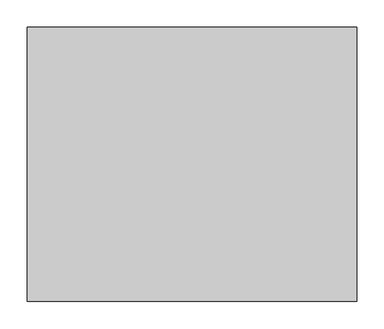
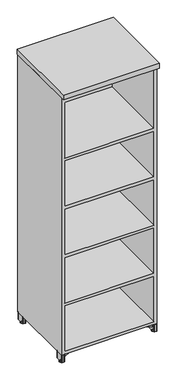
"""IFC4 building model written with IfcOpenShell, lengths in millimetres: furniture geometry."""

from ifc_helpers import new_model, si_unit, origin, place, context, project, spatial, triangles, source, transform, mapped, element, save


def furniture_0e925f3d(model_context):
    return source(origin(), model_context, "Body", "Tessellation", [
        triangles([(592.6435495, -34.5682729, 0.5205074), (591.6041508, -28.8797983, 0.0), (594.9822876, -34.7310128, 0.0), (598.3604971, -36.3020515, 0.1201563), (589.9780872, -28.8797983, 1.2314809), (594.8344769, -36.6015654, 1.1125141), (606.742907, -28.8797983, 1.2314809), (601.88659, -36.6015654, 1.1125141), (604.0775173, -34.5682729, 0.5205074), (598.3604971, -37.0018952, 0.5768835), (601.7387066, -34.7310128, 0.0), (605.1169161, -28.8797983, 0.0), (590.6584236, -28.8797983, 0.3917094), (606.0625706, -28.8797983, 0.3917094), (590.2570673, -28.8797983, 0.5579616), (602.6911921, -36.380794, 1.905), (607.021887, -28.8797983, 1.905), (594.0298021, -36.380794, 1.905), (606.4639269, -28.8797983, 0.5579616), (589.6991072, -28.8797983, 1.905), (604.0775173, -23.1913261, 0.5205074), (601.7387066, -23.0285862, 0.0), (592.6435495, -23.1913261, 0.5205074), (594.9822876, -23.0285862, 0.0), (601.88659, -21.1580336, 1.1125141), (594.8344769, -21.1580336, 1.1125141), (598.3604971, -21.4575475, 0.1201563), (598.3604971, -20.7577015, 0.5768835), (594.0298021, -21.3788073, 1.905), (602.6911921, -21.3788073, 1.905), (594.0298021, -36.380794, 4.3733222), (589.6991072, -28.8797983, 4.3733222), (602.6911921, -36.380794, 4.3733222), (607.021887, -28.8797983, 4.3733222), (602.6911921, -21.3788073, 4.3733222), (594.0298021, -21.3788073, 4.3733222), (589.9780872, -28.8797983, 5.0468412), (604.0775173, -34.5682729, 5.7578148), (601.7387066, -34.7310128, 6.278322), (598.3604971, -36.3020515, 6.1581656), (591.6041508, -28.8797983, 6.278322), (590.6584236, -28.8797983, 5.8866127), (592.6435495, -34.5682729, 5.7578148), (598.3604971, -37.0018952, 5.7014388), (594.8344769, -36.6015654, 5.1658082), (594.9822876, -34.7310128, 6.278322), (606.4639269, -28.8797983, 5.7203608), (606.742907, -28.8797983, 5.0468412), (590.2570673, -28.8797983, 5.7203608), (601.88659, -36.6015654, 5.1658082), (605.1169161, -28.8797983, 6.278322), (606.0625706, -28.8797983, 5.8866127), (601.88659, -21.1580336, 5.1658082), (604.0775173, -23.1913261, 5.7578148), (598.3604971, -20.7577015, 5.7014388), (592.6435495, -23.1913261, 5.7578148), (598.3604971, -21.4575475, 6.1581656), (601.7387066, -23.0285862, 6.278322), (594.9822876, -23.0285862, 6.278322), (594.8344769, -21.1580336, 5.1658082), (604.3347691, -28.8797983, 6.278322), (601.3476694, -34.0536786, 6.278322), (595.3733974, -34.0536786, 6.278322), (592.3862251, -28.8797983, 6.278322), (601.3476694, -23.7059181, 6.278322), (595.3733974, -23.7059181, 6.278322), (595.3733974, -34.0536786, 10.4825803), (592.3862251, -28.8797983, 10.4825803), (601.3476694, -34.0536786, 10.4825803), (604.3347691, -28.8797983, 10.4825803), (601.3476694, -23.7059181, 10.4825803), (595.3733974, -23.7059181, 10.4825803), (598.3604971, -28.8797983, 10.4825803), (598.3604971, -28.8797983, 0.0), (14.6176999, -34.7310128, 0.0), (17.9959003, -28.8797983, 0.0), (16.9565004, -34.5682729, 0.5205074), (11.2394995, -36.3020515, 0.1201563), (14.7655459, -36.6015654, 1.1125141), (19.6219196, -28.8797983, 1.2314809), (5.5224991, -34.5682729, 0.5205074), (7.7134537, -36.6015654, 1.1125141), (2.8570808, -28.8797983, 1.2314809), (11.2395006, -37.0018952, 0.5768835), (4.4831001, -28.8797983, 0.0), (7.8613002, -34.7310128, 0.0), (18.9415707, -28.8797983, 0.3917094), (3.53743, -28.8797983, 0.3917094), (19.3429395, -28.8797983, 0.5579616), (2.5780999, -28.8797983, 1.905), (6.9088, -36.380794, 1.905), (15.5702001, -36.380794, 1.905), (3.1360618, -28.8797983, 0.5579616), (19.9008996, -28.8797983, 1.905), (7.8613002, -23.0285862, 0.0), (5.5224991, -23.1913261, 0.5205074), (14.6176999, -23.0285862, 0.0), (16.9565004, -23.1913261, 0.5205074), (7.7134537, -21.1580336, 1.1125141), (14.7655459, -21.1580336, 1.1125141), (11.2394995, -20.7577015, 0.5768835), (11.2394995, -21.4575475, 0.1201563), (15.5702001, -21.3788073, 1.905), (6.9088, -21.3788073, 1.905), (15.5702001, -36.380794, 4.3733222), (19.9008996, -28.8797983, 4.3733222), (6.9088, -36.380794, 4.3733222), (2.5780999, -28.8797983, 4.3733222), (6.9088, -21.3788073, 4.3733222), (15.5702001, -21.3788073, 4.3733222), (19.6219196, -28.8797983, 5.0468412), (11.2394995, -36.3020515, 6.1581656), (7.8613002, -34.7310128, 6.278322), (5.5224991, -34.5682729, 5.7578148), (16.9565004, -34.5682729, 5.7578148), (18.9415707, -28.8797983, 5.8866127), (17.9959003, -28.8797983, 6.278322), (14.7655459, -36.6015654, 5.1658082), (11.2395006, -37.0018952, 5.7014388), (14.6176999, -34.7310128, 6.278322), (2.8570808, -28.8797983, 5.0468412), (3.1360618, -28.8797983, 5.7203608), (19.3429395, -28.8797983, 5.7203608), (7.7134537, -36.6015654, 5.1658082), (4.4831001, -28.8797983, 6.278322), (3.53743, -28.8797983, 5.8866127), (5.5224991, -23.1913261, 5.7578148), (7.7134537, -21.1580336, 5.1658082), (11.2394995, -20.7577015, 5.7014388), (16.9565004, -23.1913261, 5.7578148), (7.8613002, -23.0285862, 6.278322), (11.2394995, -21.4575475, 6.1581656), (14.6176999, -23.0285862, 6.278322), (14.7655459, -21.1580336, 5.1658082), (5.2652167, -28.8797983, 6.278322), (8.2523584, -34.0536786, 6.278322), (14.2266423, -34.0536786, 6.278322), (17.213784, -28.8797983, 6.278322), (8.2523584, -23.7059181, 6.278322), (14.2266423, -23.7059181, 6.278322), (14.2266423, -34.0536786, 10.4825803), (17.213784, -28.8797983, 10.4825803), (8.2523584, -34.0536786, 10.4825803), (5.2652167, -28.8797983, 10.4825803), (8.2523584, -23.7059181, 10.4825803), (14.2266423, -23.7059181, 10.4825803), (11.2394995, -28.8797983, 10.4825803), (11.2394995, -28.8797983, 0.0), (594.9822876, -450.7899988, 0.0), (591.6041508, -456.6412042, 0.0), (592.6435495, -450.9527432, 0.5205074), (598.3604971, -449.2189828, 0.1201563), (594.8344769, -448.9194371, 1.1125141), (589.9780872, -456.6412042, 1.2314809), (604.0775173, -450.9527432, 0.5205074), (601.88659, -448.9194371, 1.1125141), (606.742907, -456.6412042, 1.2314809), (598.3604971, -448.5191345, 0.5768835), (605.1169161, -456.6412042, 0.0), (601.7387066, -450.7899988, 0.0), (590.6584236, -456.6412042, 0.3917094), (606.0625706, -456.6412042, 0.3917094), (590.2570673, -456.6412042, 0.5579616), (607.021887, -456.6412042, 1.905), (602.6911921, -449.1402085, 1.905), (594.0298021, -449.1402085, 1.905), (606.4639269, -456.6412042, 0.5579616), (589.6991072, -456.6412042, 1.905), (601.7387066, -462.4924459, 0.0), (604.0775173, -462.3297014, 0.5205074), (594.9822876, -462.4924459, 0.0), (592.6435495, -462.3297014, 0.5205074), (601.88659, -464.3629712, 1.1125141), (594.8344769, -464.3629712, 1.1125141), (598.3604971, -464.7633101, 0.5768835), (598.3604971, -464.0634619, 0.1201563), (594.0298021, -464.1421998, 1.905), (602.6911921, -464.1421998, 1.905), (594.0298021, -449.1402085, 4.3733222), (589.6991072, -456.6412042, 4.3733222), (602.6911921, -449.1402085, 4.3733222), (607.021887, -456.6412042, 4.3733222), (602.6911921, -464.1421998, 4.3733222), (594.0298021, -464.1421998, 4.3733222), (589.9780872, -456.6412042, 5.0468412), (598.3604971, -449.2189828, 6.1581656), (601.7387066, -450.7899988, 6.278322), (604.0775173, -450.9527432, 5.7578148), (592.6435495, -450.9527432, 5.7578148), (590.6584236, -456.6412042, 5.8866127), (591.6041508, -456.6412042, 6.278322), (594.8344769, -448.9194371, 5.1658082), (598.3604971, -448.5191345, 5.7014388), (594.9822876, -450.7899988, 6.278322), (606.742907, -456.6412042, 5.0468412), (606.4639269, -456.6412042, 5.7203608), (590.2570673, -456.6412042, 5.7203608), (601.88659, -448.9194371, 5.1658082), (605.1169161, -456.6412042, 6.278322), (606.0625706, -456.6412042, 5.8866127), (604.0775173, -462.3297014, 5.7578148), (601.88659, -464.3629712, 5.1658082), (598.3604971, -464.7633101, 5.7014388), (592.6435495, -462.3297014, 5.7578148), (601.7387066, -462.4924459, 6.278322), (598.3604971, -464.0634619, 6.1581656), (594.9822876, -462.4924459, 6.278322), (594.8344769, -464.3629712, 5.1658082), (604.3347691, -456.6412042, 6.278322), (601.3476694, -451.4673194, 6.278322), (595.3733974, -451.4673194, 6.278322), (592.3862251, -456.6412042, 6.278322), (601.3476694, -461.8150889, 6.278322), (595.3733974, -461.8150889, 6.278322), (595.3733974, -451.4673194, 10.4825803), (592.3862251, -456.6412042, 10.4825803), (601.3476694, -451.4673194, 10.4825803), (604.3347691, -456.6412042, 10.4825803), (601.3476694, -461.8150889, 10.4825803), (595.3733974, -461.8150889, 10.4825803), (598.3604971, -456.6412042, 10.4825803), (598.3604971, -456.6412042, 0.0), (16.9565004, -450.9527432, 0.5205074), (17.9959003, -456.6412042, 0.0), (14.6176999, -450.7899988, 0.0), (11.2394995, -449.2189828, 0.1201563), (19.6219196, -456.6412042, 1.2314809), (14.7655459, -448.9194371, 1.1125141), (2.8570808, -456.6412042, 1.2314809), (7.7134537, -448.9194371, 1.1125141), (5.5224991, -450.9527432, 0.5205074), (11.2395006, -448.5191345, 0.5768835), (7.8613002, -450.7899988, 0.0), (4.4831001, -456.6412042, 0.0), (18.9415707, -456.6412042, 0.3917094), (3.53743, -456.6412042, 0.3917094), (19.3429395, -456.6412042, 0.5579616), (6.9088, -449.1402085, 1.905), (2.5780999, -456.6412042, 1.905), (15.5702001, -449.1402085, 1.905), (3.1360618, -456.6412042, 0.5579616), (19.9008996, -456.6412042, 1.905), (5.5224991, -462.3297014, 0.5205074), (7.8613002, -462.4924459, 0.0), (16.9565004, -462.3297014, 0.5205074), (14.6176999, -462.4924459, 0.0), (7.7134537, -464.3629712, 1.1125141), (14.7655459, -464.3629712, 1.1125141), (11.2394995, -464.0634619, 0.1201563), (11.2394995, -464.7633101, 0.5768835), (15.5702001, -464.1421998, 1.905), (6.9088, -464.1421998, 1.905), (15.5702001, -449.1402085, 4.3733222), (19.9008996, -456.6412042, 4.3733222), (6.9088, -449.1402085, 4.3733222), (2.5780999, -456.6412042, 4.3733222), (6.9088, -464.1421998, 4.3733222), (15.5702001, -464.1421998, 4.3733222), (19.6219196, -456.6412042, 5.0468412), (5.5224991, -450.9527432, 5.7578148), (7.8613002, -450.7899988, 6.278322), (11.2394995, -449.2189828, 6.1581656), (17.9959003, -456.6412042, 6.278322), (18.9415707, -456.6412042, 5.8866127), (16.9565004, -450.9527432, 5.7578148), (11.2395006, -448.5191345, 5.7014388), (14.7655459, -448.9194371, 5.1658082), (14.6176999, -450.7899988, 6.278322), (3.1360618, -456.6412042, 5.7203608), (2.8570808, -456.6412042, 5.0468412), (19.3429395, -456.6412042, 5.7203608), (7.7134537, -448.9194371, 5.1658082), (4.4831001, -456.6412042, 6.278322), (3.53743, -456.6412042, 5.8866127), (7.7134537, -464.3629712, 5.1658082), (5.5224991, -462.3297014, 5.7578148), (11.2394995, -464.7633101, 5.7014388), (16.9565004, -462.3297014, 5.7578148), (11.2394995, -464.0634619, 6.1581656), (7.8613002, -462.4924459, 6.278322), (14.6176999, -462.4924459, 6.278322), (14.7655459, -464.3629712, 5.1658082), (5.2652167, -456.6412042, 6.278322), (8.2523584, -451.4673194, 6.278322), (14.2266423, -451.4673194, 6.278322), (17.213784, -456.6412042, 6.278322), (8.2523584, -461.8150889, 6.278322), (14.2266423, -461.8150889, 6.278322), (17.213784, -456.6412042, 10.4825803), (14.2266423, -451.4673194, 10.4825803), (8.2523584, -451.4673194, 10.4825803), (5.2652167, -456.6412042, 10.4825803), (8.2523584, -461.8150889, 10.4825803), (14.2266423, -461.8150889, 10.4825803), (11.2394995, -456.6412042, 10.4825803), (11.2394995, -456.6412042, 0.0)], [[1, 2, 3], [1, 3, 4], [5, 1, 6], [7, 8, 9], [4, 10, 1], [9, 11, 12], [11, 4, 3], [13, 2, 1], [12, 14, 9], [15, 1, 5], [16, 7, 17], [9, 8, 10], [7, 16, 8], [6, 8, 16], [6, 16, 18], [4, 9, 10], [11, 9, 4], [13, 1, 15], [14, 19, 9], [9, 19, 7], [6, 1, 10], [20, 5, 18], [8, 6, 10], [5, 6, 18], [21, 12, 22], [23, 24, 2], [7, 21, 25], [5, 26, 23], [27, 28, 21], [21, 22, 27], [24, 27, 22], [14, 12, 21], [2, 13, 23], [27, 24, 23], [29, 5, 20], [23, 26, 28], [5, 29, 26], [30, 25, 26], [30, 26, 29], [27, 23, 28], [7, 19, 21], [14, 21, 19], [13, 15, 23], [23, 15, 5], [25, 21, 28], [17, 7, 30], [26, 25, 28], [7, 25, 30], [20, 18, 31], [20, 31, 32], [33, 31, 18], [33, 18, 16], [16, 17, 34], [16, 34, 33], [17, 30, 35], [17, 35, 34], [36, 35, 30], [36, 30, 29], [29, 20, 32], [29, 32, 36], [32, 31, 37], [38, 39, 40], [41, 42, 43], [44, 43, 45], [43, 46, 41], [37, 31, 45], [47, 38, 48], [42, 49, 43], [48, 38, 50], [33, 50, 31], [50, 45, 31], [51, 39, 38], [44, 38, 40], [52, 38, 47], [40, 46, 43], [52, 51, 38], [39, 46, 40], [37, 45, 43], [40, 43, 44], [43, 49, 37], [50, 38, 44], [34, 48, 33], [45, 50, 44], [48, 50, 33], [34, 35, 48], [48, 53, 54], [51, 52, 54], [55, 54, 53], [49, 56, 37], [52, 47, 54], [54, 57, 58], [56, 59, 57], [37, 56, 60], [54, 58, 51], [41, 59, 56], [55, 56, 57], [57, 54, 55], [60, 53, 35], [60, 35, 36], [42, 56, 49], [59, 58, 57], [42, 41, 56], [48, 35, 53], [54, 47, 48], [60, 56, 55], [32, 37, 36], [53, 60, 55], [37, 60, 36], [39, 51, 61], [39, 61, 62], [39, 62, 63], [39, 63, 46], [64, 41, 63], [41, 46, 63], [58, 65, 51], [65, 61, 51], [66, 65, 58], [66, 58, 59], [64, 66, 41], [66, 59, 41], [64, 63, 67], [64, 67, 68], [69, 67, 63], [69, 63, 62], [62, 61, 70], [62, 70, 69], [61, 65, 70], [65, 71, 70], [72, 71, 65], [72, 65, 66], [66, 64, 72], [64, 68, 72], [69, 70, 73], [73, 68, 69], [68, 67, 69], [70, 71, 73], [72, 68, 73], [72, 73, 71], [74, 12, 11], [74, 11, 3], [3, 2, 74], [22, 12, 24], [12, 74, 24], [2, 24, 74], [75, 76, 77], [78, 75, 77], [79, 77, 80], [81, 82, 83], [77, 84, 78], [85, 86, 81], [75, 78, 86], [77, 76, 87], [81, 88, 85], [80, 77, 89], [90, 83, 91], [84, 82, 81], [82, 91, 83], [91, 82, 79], [91, 79, 92], [84, 81, 78], [78, 81, 86], [89, 77, 87], [81, 93, 88], [83, 93, 81], [84, 77, 79], [92, 80, 94], [84, 79, 82], [92, 79, 80], [95, 85, 96], [76, 97, 98], [99, 96, 83], [98, 100, 80], [96, 101, 102], [102, 95, 96], [95, 102, 97], [96, 85, 88], [98, 87, 76], [98, 97, 102], [94, 80, 103], [101, 100, 98], [100, 103, 80], [100, 99, 104], [100, 104, 103], [101, 98, 102], [96, 93, 83], [93, 96, 88], [98, 89, 87], [80, 89, 98], [101, 96, 99], [104, 83, 90], [101, 99, 100], [104, 99, 83], [105, 92, 94], [105, 94, 106], [92, 105, 107], [92, 107, 91], [108, 90, 91], [108, 91, 107], [109, 104, 108], [104, 90, 108], [104, 109, 110], [104, 110, 103], [106, 94, 103], [106, 103, 110], [111, 105, 106], [112, 113, 114], [115, 116, 117], [118, 115, 119], [117, 120, 115], [118, 105, 111], [121, 114, 122], [115, 123, 116], [124, 114, 121], [118, 124, 107], [118, 107, 105], [114, 113, 125], [112, 114, 119], [122, 114, 126], [115, 120, 112], [114, 125, 126], [112, 120, 113], [115, 118, 111], [119, 115, 112], [111, 123, 115], [119, 114, 124], [107, 121, 108], [119, 124, 118], [107, 124, 121], [121, 109, 108], [127, 128, 121], [127, 126, 125], [128, 127, 129], [111, 130, 123], [127, 122, 126], [131, 132, 127], [132, 133, 130], [134, 130, 111], [125, 131, 127], [130, 133, 117], [132, 130, 129], [129, 127, 132], [109, 128, 134], [109, 134, 110], [123, 130, 116], [132, 131, 133], [130, 117, 116], [128, 109, 121], [121, 122, 127], [129, 130, 134], [110, 111, 106], [129, 134, 128], [110, 134, 111], [135, 125, 113], [135, 113, 136], [137, 136, 113], [137, 113, 120], [120, 117, 138], [120, 138, 137], [135, 139, 131], [135, 131, 125], [131, 139, 140], [131, 140, 133], [133, 140, 138], [133, 138, 117], [141, 137, 138], [141, 138, 142], [137, 141, 136], [141, 143, 136], [144, 135, 136], [144, 136, 143], [145, 139, 144], [139, 135, 144], [139, 145, 146], [139, 146, 140], [142, 138, 140], [142, 140, 146], [147, 144, 143], [147, 143, 141], [141, 142, 147], [145, 144, 147], [145, 147, 146], [142, 146, 147], [86, 85, 148], [148, 76, 75], [148, 75, 86], [85, 95, 148], [97, 76, 148], [97, 148, 95], [149, 150, 151], [152, 149, 151], [153, 151, 154], [155, 156, 157], [151, 158, 152], [159, 160, 155], [149, 152, 160], [151, 150, 161], [155, 162, 159], [154, 151, 163], [164, 157, 165], [158, 156, 155], [156, 165, 157], [165, 156, 153], [165, 153, 166], [158, 155, 152], [152, 155, 160], [163, 151, 161], [155, 167, 162], [157, 167, 155], [158, 151, 153], [166, 154, 168], [158, 153, 156], [166, 153, 154], [169, 159, 170], [150, 171, 172], [173, 170, 157], [172, 174, 154], [170, 175, 176], [176, 169, 170], [169, 176, 171], [170, 159, 162], [172, 161, 150], [172, 171, 176], [168, 154, 177], [175, 174, 172], [174, 177, 154], [174, 173, 177], [173, 178, 177], [175, 172, 176], [170, 167, 157], [167, 170, 162], [172, 163, 161], [154, 163, 172], [175, 170, 173], [178, 157, 164], [175, 173, 174], [178, 173, 157], [179, 166, 168], [179, 168, 180], [166, 179, 181], [166, 181, 165], [182, 164, 165], [182, 165, 181], [183, 178, 164], [183, 164, 182], [178, 183, 184], [178, 184, 177], [180, 168, 177], [180, 177, 184], [185, 179, 180], [186, 187, 188], [189, 190, 191], [192, 189, 193], [191, 194, 189], [192, 179, 185], [195, 188, 196], [189, 197, 190], [198, 188, 195], [192, 198, 181], [192, 181, 179], [188, 187, 199], [186, 188, 193], [196, 188, 200], [189, 194, 186], [188, 199, 200], [186, 194, 187], [189, 192, 185], [193, 189, 186], [185, 197, 189], [193, 188, 198], [181, 195, 182], [193, 198, 192], [181, 198, 195], [195, 183, 182], [201, 202, 195], [201, 200, 199], [202, 201, 203], [185, 204, 197], [201, 196, 200], [205, 206, 201], [206, 207, 204], [208, 204, 185], [199, 205, 201], [204, 207, 191], [206, 204, 203], [203, 201, 206], [183, 202, 208], [183, 208, 184], [197, 204, 190], [206, 205, 207], [204, 191, 190], [202, 183, 195], [195, 196, 201], [203, 204, 208], [184, 185, 180], [203, 208, 202], [184, 208, 185], [209, 199, 187], [209, 187, 210], [211, 210, 194], [210, 187, 194], [194, 191, 212], [194, 212, 211], [209, 213, 205], [209, 205, 199], [205, 213, 214], [205, 214, 207], [207, 214, 212], [207, 212, 191], [215, 211, 212], [215, 212, 216], [211, 215, 217], [211, 217, 210], [218, 209, 210], [218, 210, 217], [219, 213, 209], [219, 209, 218], [213, 219, 214], [219, 220, 214], [216, 212, 214], [216, 214, 220], [221, 218, 215], [218, 217, 215], [215, 216, 221], [219, 218, 221], [219, 221, 220], [216, 220, 221], [160, 159, 222], [222, 150, 149], [222, 149, 160], [159, 169, 222], [171, 150, 169], [150, 222, 169], [223, 224, 225], [223, 225, 226], [227, 223, 228], [229, 230, 231], [226, 232, 223], [231, 233, 234], [233, 226, 225], [235, 224, 223], [234, 236, 231], [237, 223, 227], [238, 229, 239], [231, 230, 232], [229, 238, 230], [228, 230, 238], [228, 238, 240], [226, 231, 232], [233, 231, 226], [235, 223, 237], [236, 241, 231], [231, 241, 229], [228, 223, 232], [242, 227, 240], [230, 228, 232], [227, 228, 240], [243, 234, 244], [245, 246, 224], [229, 243, 247], [227, 248, 245], [249, 250, 243], [243, 244, 249], [246, 249, 244], [236, 234, 243], [224, 235, 245], [249, 246, 245], [251, 227, 242], [245, 248, 250], [227, 251, 248], [252, 247, 248], [252, 248, 251], [249, 245, 250], [229, 241, 243], [236, 243, 241], [235, 237, 245], [245, 237, 227], [247, 243, 250], [239, 229, 252], [248, 247, 250], [229, 247, 252], [242, 240, 253], [242, 253, 254], [255, 253, 240], [255, 240, 238], [238, 239, 256], [238, 256, 255], [239, 252, 257], [239, 257, 256], [258, 257, 252], [258, 252, 251], [251, 242, 254], [251, 254, 258], [254, 253, 259], [260, 261, 262], [263, 264, 265], [266, 265, 267], [265, 268, 263], [259, 253, 267], [269, 260, 270], [264, 271, 265], [270, 260, 272], [255, 272, 267], [255, 267, 253], [273, 261, 260], [266, 260, 262], [274, 260, 269], [262, 268, 265], [274, 273, 260], [261, 268, 262], [259, 267, 265], [262, 265, 266], [265, 271, 259], [272, 260, 266], [256, 270, 255], [267, 272, 266], [270, 272, 255], [256, 257, 270], [270, 275, 276], [273, 274, 276], [277, 276, 275], [271, 278, 259], [274, 269, 276], [276, 279, 280], [278, 281, 279], [259, 278, 282], [276, 280, 273], [263, 281, 278], [277, 278, 279], [279, 276, 277], [282, 275, 258], [275, 257, 258], [264, 278, 271], [281, 280, 279], [264, 263, 278], [270, 257, 275], [276, 269, 270], [282, 278, 277], [254, 259, 258], [275, 282, 277], [259, 282, 258], [261, 273, 283], [261, 283, 284], [261, 284, 285], [261, 285, 268], [286, 263, 268], [286, 268, 285], [280, 287, 283], [280, 283, 273], [288, 287, 280], [288, 280, 281], [286, 288, 281], [286, 281, 263], [286, 285, 289], [285, 290, 289], [291, 290, 284], [290, 285, 284], [284, 283, 292], [284, 292, 291], [283, 287, 293], [283, 293, 292], [294, 293, 287], [294, 287, 288], [288, 286, 294], [286, 289, 294], [291, 292, 295], [295, 289, 290], [295, 290, 291], [292, 293, 295], [294, 289, 295], [294, 295, 293], [296, 234, 233], [296, 233, 225], [225, 224, 296], [244, 234, 296], [244, 296, 246], [224, 246, 296]]),
        triangles([(589.7294832, -2.3360687, 60.2665794), (584.5066189, -4.008805, 60.2665794), (595.1623638, -56.1721027, 60.2665794), (595.1623638, -1.5875003, 60.2665794), (488.2515203, -49.7023714, 60.2665794), (488.9847605, -48.5513606, 60.2665794), (488.7396446, -48.7016013, 60.2665794), (488.5345699, -48.9031378, 60.2665794), (488.3800735, -49.1456421, 60.2665794), (488.2840765, -49.4166875, 60.2665794), (589.7294832, -56.9206717, 60.2665794), (584.5066189, -58.5934075, 60.2665794), (607.021887, -2.8575001, 60.2665794), (606.0805927, -1.6307742, 60.2665794), (605.7519064, -1.5875003, 60.2665794), (606.3868967, -1.757648, 60.2665794), (606.8517666, -2.2225003, 60.2665794), (606.9786484, -2.5287996, 60.2665794), (606.649962, -1.9594747, 60.2665794), (607.021887, -54.9020994, 60.2665794), (490.0582415, -102.6354049, 60.2665794), (488.2515203, -101.4843942, 60.2665794), (488.2912708, -101.7996911, 60.2665794), (489.4384392, -102.7516769, 60.2665794), (489.1263943, -102.691379, 60.2665794), (488.8391298, -102.5555043, 60.2665794), (488.4080515, -102.095249, 60.2665794), (488.5945953, -102.3525552, 60.2665794), (489.7556437, -102.7326192, 60.2665794), (606.649962, -55.8001278, 60.2665794), (606.8517666, -55.5371034, 60.2665794), (606.9786484, -55.2308039, 60.2665794), (606.3868967, -56.0019551, 60.2665794), (606.0805927, -56.1288278, 60.2665794), (605.7519064, -56.1721027, 60.2665794), (592.47808, -56.4221829, 10.4825803), (589.8344913, -56.8969995, 10.4825803), (589.8344913, -2.3123965, 10.4825803), (606.3868967, -56.0019551, 10.4825803), (606.0805927, -56.1288278, 10.4825803), (606.649962, -55.8001278, 10.4825803), (605.7519064, -56.1721027, 10.4825803), (607.021887, -54.9020994, 10.4825803), (595.1623638, -1.5875003, 10.4825803), (595.1623638, -56.1721027, 10.4825803), (606.8517666, -55.5371034, 10.4825803), (606.9786484, -55.2308039, 10.4825803), (592.47808, -1.8375833, 10.4825803), (605.7519064, -1.5875003, 10.4825803), (607.021887, -2.8575001, 10.4825803), (606.0805927, -1.6307742, 10.4825803), (606.3868967, -1.757648, 10.4825803), (606.649962, -1.9594747, 10.4825803), (606.9786484, -2.5287996, 10.4825803), (606.8517666, -2.2225003, 10.4825803), (494.5844913, -45.9401919, 47.5665779), (488.9847605, -48.5513606, 50.922237), (577.1344671, -7.4464903, 47.5665779), (491.9263687, -47.1796783, 48.1496864), (490.7523851, -47.7271059, 48.8531954), (493.2238186, -46.5746689, 47.7140707), (489.756443, -48.1915261, 49.7919099), (582.230377, -5.070242, 46.4993783), (579.7376513, -6.2325916, 47.2969177), (584.5066189, -4.008805, 45.2078329), (488.2515203, -49.7023714, 53.4516066), (488.2515203, -101.4843942, 53.4516066), (490.0582415, -102.6354049, 49.4628466), (492.1307894, -101.6689668, 48.0598027), (577.1344671, -62.0310929, 47.5665779), (491.0246796, -102.184742, 48.6582036), (493.3331142, -101.1083179, 47.691107), (494.5844913, -100.524787, 47.5665779), (582.230377, -59.6548435, 46.4993783), (584.5066189, -58.5934075, 45.2078329), (579.7376513, -60.8171953, 47.2969177), (589.8344913, -2.3123965, 34.8665809), (589.4678713, -2.3966759, 37.8959518), (588.3925735, -2.670531, 40.7440474), (586.6911512, -3.1873321, 43.230796), (586.6911512, -57.7719324, 43.230796), (588.3925735, -57.2551308, 40.7440474), (589.4678713, -56.9812785, 37.8959518), (589.8344913, -56.8969995, 34.8665809), (488.3039881, -101.8455822, 52.9797149), (488.4062347, -102.0918335, 52.4497691), (488.557025, -102.3106428, 51.918438), (488.7578848, -102.4991487, 51.3920847), (489.0102676, -102.6469504, 50.8750651), (489.3149729, -102.7374881, 50.3733015), (489.6689484, -102.7457997, 49.8965728), (488.7775057, -48.673151, 51.3472882), (488.6049871, -48.8232099, 51.7791387), (488.4666962, -48.9951017, 52.2150405), (488.3615427, -49.1852881, 52.6525547), (488.2888727, -49.3964716, 53.086885), (14.4376884, -56.1721027, 60.2665794), (25.0934061, -4.008805, 60.2665794), (19.8705463, -2.3360687, 60.2665794), (14.4376884, -1.5875003, 60.2665794), (120.8603917, -48.7016013, 60.2665794), (120.6152214, -48.5513606, 60.2665794), (121.0654755, -48.9031378, 60.2665794), (121.3484978, -49.7023714, 60.2665794), (121.3159508, -49.4166875, 60.2665794), (121.2199719, -49.1456421, 60.2665794), (25.0934061, -58.5934075, 60.2665794), (119.5417767, -102.6354049, 60.2665794), (3.8481001, -1.5875003, 60.2665794), (3.5193999, -1.6307742, 60.2665794), (2.5780999, -2.8575001, 60.2665794), (3.2131002, -1.757648, 60.2665794), (2.6213743, -2.5287996, 60.2665794), (2.9500746, -1.9594747, 60.2665794), (2.7482479, -2.2225003, 60.2665794), (2.5780999, -54.9020994, 60.2665794), (121.3484978, -101.4843942, 60.2665794), (120.4735876, -102.691379, 60.2665794), (121.3087383, -101.7996911, 60.2665794), (120.1615608, -102.7516769, 60.2665794), (121.1919394, -102.095249, 60.2665794), (121.0054319, -102.3525552, 60.2665794), (120.7608702, -102.5555043, 60.2665794), (119.8443382, -102.7326192, 60.2665794), (2.7482479, -55.5371034, 60.2665794), (2.9500746, -55.8001278, 60.2665794), (2.6213743, -55.2308039, 60.2665794), (3.2131002, -56.0019551, 60.2665794), (3.5193999, -56.1288278, 60.2665794), (19.8705463, -56.9206717, 60.2665794), (3.8481001, -56.1721027, 60.2665794), (19.7655473, -2.3123965, 10.4825803), (19.7655473, -56.8969995, 10.4825803), (17.1219666, -56.4221829, 10.4825803), (3.8481001, -56.1721027, 10.4825803), (3.5193999, -56.1288278, 10.4825803), (3.2131002, -56.0019551, 10.4825803), (2.9500746, -55.8001278, 10.4825803), (14.4376884, -56.1721027, 10.4825803), (14.4376884, -1.5875003, 10.4825803), (2.5780999, -54.9020994, 10.4825803), (2.7482479, -55.5371034, 10.4825803), (2.6213743, -55.2308039, 10.4825803), (17.1219666, -1.8375833, 10.4825803), (2.5780999, -2.8575001, 10.4825803), (3.8481001, -1.5875003, 10.4825803), (3.2131002, -1.757648, 10.4825803), (3.5193999, -1.6307742, 10.4825803), (2.9500746, -1.9594747, 10.4825803), (2.6213743, -2.5287996, 10.4825803), (2.7482479, -2.2225003, 10.4825803), (120.6152214, -48.5513606, 50.922237), (115.015545, -45.9401919, 47.5665779), (32.4655465, -7.4464903, 47.5665779), (118.8475967, -47.7271059, 48.8531954), (117.6736313, -47.1796783, 48.1496864), (116.3761905, -46.5746689, 47.7140707), (119.8435479, -48.1915261, 49.7919099), (29.8623306, -6.2325916, 47.2969177), (27.3696661, -5.070242, 46.4993783), (25.0934061, -4.008805, 45.2078329), (121.3484978, -101.4843942, 53.4516066), (121.3484978, -49.7023714, 53.4516066), (117.469247, -101.6689668, 48.0598027), (119.5417767, -102.6354049, 49.4628466), (32.4655465, -62.0310929, 47.5665779), (118.5753204, -102.184742, 48.6582036), (116.2669403, -101.1083179, 47.691107), (115.015545, -100.524787, 47.5665779), (25.0934061, -58.5934075, 45.2078329), (27.3696661, -59.6548435, 46.4993783), (29.8623306, -60.8171953, 47.2969177), (19.7655473, -2.3123965, 34.8665809), (20.1321401, -2.3966759, 37.8959518), (22.9088783, -3.1873321, 43.230796), (21.2074196, -2.670531, 40.7440474), (22.9088783, -57.7719324, 43.230796), (21.2074196, -57.2551308, 40.7440474), (20.1321401, -56.9812785, 37.8959518), (19.7655473, -56.8969995, 34.8665809), (121.1938107, -102.0918335, 52.4497691), (121.2960573, -101.8455822, 52.9797149), (121.042975, -102.3106428, 51.918438), (120.8421606, -102.4991487, 51.3920847), (120.2850544, -102.7374881, 50.3733015), (120.5897414, -102.6469504, 50.8750651), (119.9310426, -102.7457997, 49.8965728), (120.8225488, -48.673151, 51.3472882), (120.9949947, -48.8232099, 51.7791387), (121.1333311, -48.9951017, 52.2150405), (121.3111091, -49.3964716, 53.086885), (121.2384664, -49.1852881, 52.6525547), (595.1623638, -429.348902, 60.2665794), (584.5066189, -481.5122151, 60.2665794), (589.7294832, -483.1849328, 60.2665794), (595.1623638, -483.9335063, 60.2665794), (488.7396446, -436.8194126, 60.2665794), (488.9847605, -436.9696578, 60.2665794), (488.5345699, -436.6178988, 60.2665794), (488.2515203, -435.8186379, 60.2665794), (488.2840765, -436.10434, 60.2665794), (488.3800735, -436.3753627, 60.2665794), (584.5066189, -426.9276109, 60.2665794), (490.0582415, -382.8856044, 60.2665794), (605.7519064, -483.9335063, 60.2665794), (606.0805927, -483.8902313, 60.2665794), (607.021887, -482.6635257, 60.2665794), (606.3868967, -483.7633859, 60.2665794), (606.9786484, -482.992212, 60.2665794), (606.649962, -483.561545, 60.2665794), (606.8517666, -483.298516, 60.2665794), (607.021887, -430.618919, 60.2665794), (488.2515203, -384.0366242, 60.2665794), (489.1263943, -382.8296485, 60.2665794), (488.2912708, -383.7213092, 60.2665794), (489.4384392, -382.7693324, 60.2665794), (488.4080515, -383.4257604, 60.2665794), (488.8391298, -382.965505, 60.2665794), (488.5945953, -383.1684723, 60.2665794), (489.7556437, -382.7884083, 60.2665794), (606.8517666, -429.9839287, 60.2665794), (606.649962, -429.7208997, 60.2665794), (606.9786484, -430.2902327, 60.2665794), (606.0805927, -429.392177, 60.2665794), (606.3868967, -429.5190588, 60.2665794), (589.7294832, -428.6003649, 60.2665794), (605.7519064, -429.348902, 60.2665794), (589.8344913, -483.2086232, 10.4825803), (589.8344913, -428.624019, 10.4825803), (592.47808, -429.0988446, 10.4825803), (605.7519064, -429.348902, 10.4825803), (606.0805927, -429.392177, 10.4825803), (606.649962, -429.7208997, 10.4825803), (606.3868967, -429.5190588, 10.4825803), (595.1623638, -429.348902, 10.4825803), (607.021887, -430.618919, 10.4825803), (595.1623638, -483.9335063, 10.4825803), (606.8517666, -429.9839287, 10.4825803), (606.9786484, -430.2902327, 10.4825803), (592.47808, -483.6834489, 10.4825803), (607.021887, -482.6635257, 10.4825803), (605.7519064, -483.9335063, 10.4825803), (606.3868967, -483.7633859, 10.4825803), (606.0805927, -483.8902313, 10.4825803), (606.649962, -483.561545, 10.4825803), (606.9786484, -482.992212, 10.4825803), (606.8517666, -483.298516, 10.4825803), (488.9847605, -436.9696578, 50.922237), (494.5844913, -439.5808356, 47.5665779), (577.1344671, -478.0745253, 47.5665779), (490.7523851, -437.7939171, 48.8531954), (491.9263687, -438.3413401, 48.1496864), (493.2238186, -438.946354, 47.7140707), (489.756443, -437.3294832, 49.7919099), (579.7376513, -479.288441, 47.2969177), (582.230377, -480.450761, 46.4993783), (584.5066189, -481.5122151, 45.2078329), (488.2515203, -384.0366242, 53.4516066), (488.2515203, -435.8186379, 53.4516066), (492.1307894, -383.8520425, 48.0598027), (490.0582415, -382.8856044, 49.4628466), (577.1344671, -423.489921, 47.5665779), (491.0246796, -383.3362673, 48.6582036), (493.3331142, -384.4126914, 47.691107), (494.5844913, -384.9962314, 47.5665779), (584.5066189, -426.9276109, 45.2078329), (582.230377, -425.8661568, 46.4993783), (579.7376513, -424.7038367, 47.2969177), (589.8344913, -483.2086232, 34.8665809), (589.4678713, -483.124326, 37.8959518), (586.6911512, -482.3336766, 43.230796), (588.3925735, -482.8504692, 40.7440474), (586.6911512, -427.7490724, 43.230796), (588.3925735, -428.2659013, 40.7440474), (589.4678713, -428.5397581, 37.8959518), (589.8344913, -428.624019, 34.8665809), (488.4062347, -383.4291759, 52.4497691), (488.3039881, -383.6754181, 52.9797149), (488.557025, -383.2103665, 51.918438), (488.7578848, -383.0218606, 51.3920847), (489.3149729, -382.7835394, 50.3733015), (489.0102676, -382.8740862, 50.8750651), (489.6689484, -382.7752187, 49.8965728), (488.7775057, -436.8478629, 51.3472882), (488.6049871, -436.6977994, 51.7791387), (488.4666962, -436.5259349, 52.2150405), (488.2888727, -436.1245422, 53.086885), (488.3615427, -436.3357212, 52.6525547), (19.8705463, -483.1849328, 60.2665794), (25.0934061, -481.5122151, 60.2665794), (14.4376884, -429.348902, 60.2665794), (14.4376884, -483.9335063, 60.2665794), (121.3484978, -435.8186379, 60.2665794), (120.6152214, -436.9696578, 60.2665794), (120.8603917, -436.8194126, 60.2665794), (121.0654755, -436.6178988, 60.2665794), (121.2199719, -436.3753627, 60.2665794), (121.3159508, -436.10434, 60.2665794), (25.0934061, -426.9276109, 60.2665794), (19.8705463, -428.6003649, 60.2665794), (2.5780999, -482.6635257, 60.2665794), (3.5193999, -483.8902313, 60.2665794), (3.8481001, -483.9335063, 60.2665794), (3.2131002, -483.7633859, 60.2665794), (2.7482479, -483.298516, 60.2665794), (2.6213743, -482.992212, 60.2665794), (2.9500746, -483.561545, 60.2665794), (2.5780999, -430.618919, 60.2665794), (119.5417767, -382.8856044, 60.2665794), (121.3484978, -384.0366242, 60.2665794), (121.3087383, -383.7213092, 60.2665794), (120.4735876, -382.8296485, 60.2665794), (120.1615608, -382.7693324, 60.2665794), (120.7608702, -382.965505, 60.2665794), (121.1919394, -383.4257604, 60.2665794), (121.0054319, -383.1684723, 60.2665794), (119.8443382, -382.7884083, 60.2665794), (2.9500746, -429.7208997, 60.2665794), (2.7482479, -429.9839287, 60.2665794), (2.6213743, -430.2902327, 60.2665794), (3.2131002, -429.5190588, 60.2665794), (3.5193999, -429.392177, 60.2665794), (3.8481001, -429.348902, 60.2665794), (17.1219666, -429.0988446, 10.4825803), (19.7655473, -428.624019, 10.4825803), (19.7655473, -483.2086232, 10.4825803), (3.2131002, -429.5190588, 10.4825803), (3.5193999, -429.392177, 10.4825803), (3.8481001, -429.348902, 10.4825803), (2.9500746, -429.7208997, 10.4825803), (2.5780999, -430.618919, 10.4825803), (14.4376884, -429.348902, 10.4825803), (14.4376884, -483.9335063, 10.4825803), (2.7482479, -429.9839287, 10.4825803), (2.6213743, -430.2902327, 10.4825803), (17.1219666, -483.6834489, 10.4825803), (3.8481001, -483.9335063, 10.4825803), (2.5780999, -482.6635257, 10.4825803), (3.5193999, -483.8902313, 10.4825803), (3.2131002, -483.7633859, 10.4825803), (2.9500746, -483.561545, 10.4825803), (2.6213743, -482.992212, 10.4825803), (2.7482479, -483.298516, 10.4825803), (115.015545, -439.5808356, 47.5665779), (120.6152214, -436.9696578, 50.922237), (32.4655465, -478.0745253, 47.5665779), (117.6736313, -438.3413401, 48.1496864), (118.8475967, -437.7939171, 48.8531954), (116.3761905, -438.946354, 47.7140707), (119.8435479, -437.3294832, 49.7919099), (27.3696661, -480.450761, 46.4993783), (29.8623306, -479.288441, 47.2969177), (25.0934061, -481.5122151, 45.2078329), (121.3484978, -435.8186379, 53.4516066), (121.3484978, -384.0366242, 53.4516066), (119.5417767, -382.8856044, 49.4628466), (117.469247, -383.8520425, 48.0598027), (32.4655465, -423.489921, 47.5665779), (118.5753204, -383.3362673, 48.6582036), (116.2669403, -384.4126914, 47.691107), (115.015545, -384.9962314, 47.5665779), (27.3696661, -425.8661568, 46.4993783), (25.0934061, -426.9276109, 45.2078329), (29.8623306, -424.7038367, 47.2969177), (19.7655473, -483.2086232, 34.8665809), (20.1321401, -483.124326, 37.8959518), (21.2074196, -482.8504692, 40.7440474), (22.9088783, -482.3336766, 43.230796), (22.9088783, -427.7490724, 43.230796), (21.2074196, -428.2659013, 40.7440474), (20.1321401, -428.5397581, 37.8959518), (19.7655473, -428.624019, 34.8665809), (121.2960573, -383.6754181, 52.9797149), (121.1938107, -383.4291759, 52.4497691), (121.042975, -383.2103665, 51.918438), (120.8421606, -383.0218606, 51.3920847), (120.5897414, -382.8740862, 50.8750651), (120.2850544, -382.7835394, 50.3733015), (119.9310426, -382.7752187, 49.8965728), (120.8225488, -436.8478629, 51.3472882), (120.9949947, -436.6977994, 51.7791387), (121.1333311, -436.5259349, 52.2150405), (121.2384664, -436.3357212, 52.6525547), (121.3111091, -436.1245422, 53.086885)], [[1, 2, 3], [1, 3, 4], [5, 6, 7], [5, 7, 8], [9, 10, 5], [9, 5, 8], [2, 6, 11], [6, 12, 11], [13, 14, 4], [14, 15, 4], [16, 14, 17], [14, 18, 17], [19, 16, 17], [14, 13, 18], [20, 13, 4], [20, 4, 3], [6, 5, 21], [6, 21, 12], [22, 23, 24], [23, 25, 24], [26, 23, 27], [26, 27, 28], [29, 21, 24], [21, 22, 24], [26, 25, 23], [20, 30, 31], [20, 31, 32], [33, 30, 34], [30, 20, 34], [35, 34, 3], [34, 20, 3], [11, 3, 2], [21, 5, 22], [36, 37, 38], [39, 40, 41], [40, 42, 41], [43, 42, 44], [42, 45, 44], [46, 41, 47], [41, 42, 47], [42, 43, 47], [45, 36, 38], [45, 38, 48], [48, 44, 45], [44, 49, 50], [44, 50, 43], [49, 51, 52], [49, 52, 53], [50, 49, 54], [49, 53, 55], [49, 55, 54], [44, 4, 15], [44, 15, 49], [56, 57, 6], [58, 6, 2], [57, 59, 60], [61, 59, 57], [57, 60, 62], [63, 64, 2], [65, 63, 2], [57, 56, 61], [56, 6, 58], [64, 58, 2], [22, 5, 66], [22, 66, 67], [21, 68, 69], [12, 21, 70], [69, 68, 71], [72, 21, 69], [73, 70, 21], [73, 21, 72], [74, 75, 12], [76, 74, 12], [70, 76, 12], [3, 45, 42], [3, 42, 35], [20, 43, 50], [20, 50, 13], [48, 38, 77], [44, 77, 4], [77, 44, 48], [4, 77, 78], [79, 80, 1], [78, 79, 1], [80, 2, 1], [2, 80, 65], [78, 1, 4], [81, 12, 75], [81, 82, 11], [82, 83, 11], [12, 81, 11], [83, 84, 3], [45, 3, 84], [37, 36, 84], [45, 84, 36], [3, 11, 83], [77, 38, 37], [77, 37, 84], [56, 58, 70], [56, 70, 73], [76, 70, 58], [76, 58, 64], [75, 74, 63], [75, 63, 65], [74, 76, 64], [74, 64, 63], [81, 75, 65], [81, 65, 80], [82, 81, 80], [82, 80, 79], [84, 83, 78], [84, 78, 77], [83, 82, 79], [83, 79, 78], [28, 85, 86], [28, 86, 26], [86, 87, 26], [22, 67, 23], [23, 67, 85], [23, 85, 27], [85, 28, 27], [87, 88, 25], [24, 89, 90], [90, 91, 29], [68, 21, 91], [26, 87, 25], [29, 24, 90], [21, 29, 91], [88, 24, 25], [88, 89, 24], [18, 54, 55], [18, 55, 17], [17, 55, 53], [17, 53, 19], [13, 50, 54], [13, 54, 18], [16, 52, 51], [16, 51, 14], [14, 51, 49], [14, 49, 15], [52, 16, 19], [52, 19, 53], [6, 57, 92], [7, 92, 93], [92, 7, 6], [8, 7, 94], [7, 93, 94], [95, 96, 9], [95, 9, 8], [9, 96, 10], [66, 5, 10], [96, 66, 10], [95, 8, 94], [34, 40, 39], [34, 39, 33], [33, 39, 41], [33, 41, 30], [35, 42, 40], [35, 40, 34], [31, 46, 47], [31, 47, 32], [32, 47, 43], [32, 43, 20], [46, 31, 30], [46, 30, 41], [85, 96, 95], [94, 86, 95], [88, 93, 92], [94, 93, 87], [92, 57, 88], [96, 67, 66], [96, 85, 67], [86, 85, 95], [94, 87, 86], [93, 88, 87], [57, 89, 88], [69, 60, 59], [71, 62, 60], [61, 56, 73], [59, 61, 72], [61, 73, 72], [62, 91, 90], [89, 57, 90], [62, 71, 68], [68, 91, 62], [60, 69, 71], [59, 72, 69], [90, 57, 62], [97, 98, 99], [97, 99, 100], [101, 102, 103], [102, 104, 103], [104, 105, 106], [104, 106, 103], [102, 98, 107], [102, 107, 108], [109, 110, 111], [109, 111, 100], [110, 112, 113], [110, 113, 111], [112, 114, 115], [112, 115, 113], [100, 111, 116], [100, 116, 97], [104, 102, 117], [102, 108, 117], [118, 119, 120], [119, 117, 120], [121, 119, 122], [119, 123, 122], [117, 108, 124], [117, 124, 120], [119, 118, 123], [125, 126, 127], [126, 116, 127], [116, 126, 128], [116, 128, 129], [98, 130, 107], [116, 129, 131], [116, 131, 97], [98, 97, 130], [132, 133, 134], [135, 136, 137], [135, 137, 138], [139, 135, 140], [135, 141, 140], [135, 138, 142], [135, 142, 143], [143, 141, 135], [132, 134, 139], [139, 140, 144], [139, 144, 132], [145, 146, 140], [145, 140, 141], [147, 148, 146], [147, 146, 149], [146, 145, 150], [146, 150, 151], [151, 149, 146], [146, 109, 100], [146, 100, 140], [102, 152, 153], [98, 102, 154], [155, 156, 152], [152, 156, 157], [158, 155, 152], [98, 159, 160], [98, 160, 161], [157, 153, 152], [154, 102, 153], [98, 154, 159], [162, 163, 104], [162, 104, 117], [164, 165, 108], [166, 108, 107], [167, 165, 164], [164, 108, 168], [108, 166, 169], [168, 108, 169], [107, 170, 171], [107, 171, 172], [107, 172, 166], [135, 139, 97], [135, 97, 131], [141, 116, 111], [141, 111, 145], [173, 132, 144], [100, 173, 140], [144, 140, 173], [174, 173, 100], [99, 175, 176], [99, 176, 174], [99, 98, 175], [161, 175, 98], [100, 99, 174], [170, 107, 177], [130, 178, 177], [130, 179, 178], [130, 177, 107], [97, 180, 179], [180, 97, 139], [180, 134, 133], [134, 180, 139], [179, 130, 97], [133, 132, 173], [133, 173, 180], [166, 154, 153], [166, 153, 169], [154, 166, 172], [154, 172, 159], [160, 171, 170], [160, 170, 161], [159, 172, 171], [159, 171, 160], [161, 170, 177], [161, 177, 175], [175, 177, 178], [175, 178, 176], [174, 179, 180], [174, 180, 173], [176, 178, 179], [176, 179, 174], [181, 182, 122], [123, 181, 122], [123, 183, 181], [119, 162, 117], [182, 162, 119], [121, 182, 119], [121, 122, 182], [118, 184, 183], [185, 186, 120], [124, 187, 185], [187, 108, 165], [118, 183, 123], [185, 120, 124], [187, 124, 108], [118, 120, 184], [120, 186, 184], [151, 150, 113], [151, 113, 115], [149, 151, 115], [149, 115, 114], [150, 145, 111], [150, 111, 113], [148, 147, 112], [148, 112, 110], [146, 148, 110], [146, 110, 109], [114, 112, 147], [114, 147, 149], [188, 152, 102], [189, 188, 101], [102, 101, 188], [190, 101, 103], [190, 189, 101], [106, 191, 192], [103, 106, 192], [105, 191, 106], [105, 104, 163], [105, 163, 191], [190, 103, 192], [137, 136, 129], [137, 129, 128], [138, 137, 128], [138, 128, 126], [136, 135, 131], [136, 131, 129], [143, 142, 125], [143, 125, 127], [141, 143, 127], [141, 127, 116], [126, 125, 142], [126, 142, 138], [192, 191, 182], [192, 181, 190], [188, 189, 184], [183, 189, 190], [184, 152, 188], [163, 162, 191], [162, 182, 191], [192, 182, 181], [181, 183, 190], [183, 184, 189], [184, 186, 152], [156, 155, 164], [155, 158, 167], [169, 153, 157], [168, 157, 156], [168, 169, 157], [185, 187, 158], [185, 152, 186], [165, 167, 158], [158, 187, 165], [167, 164, 155], [164, 168, 156], [158, 152, 185], [193, 194, 195], [193, 195, 196], [197, 198, 199], [198, 200, 199], [200, 201, 202], [200, 202, 199], [198, 194, 203], [198, 203, 204], [205, 206, 196], [206, 207, 196], [206, 208, 209], [206, 209, 207], [208, 210, 211], [208, 211, 209], [196, 207, 212], [196, 212, 193], [200, 198, 204], [200, 204, 213], [214, 215, 213], [214, 213, 216], [217, 215, 218], [217, 218, 219], [213, 204, 220], [213, 220, 216], [215, 214, 218], [221, 222, 223], [222, 212, 223], [212, 222, 224], [222, 225, 224], [194, 226, 203], [212, 224, 227], [212, 227, 193], [194, 193, 226], [228, 229, 230], [231, 232, 233], [232, 234, 233], [235, 231, 236], [235, 236, 237], [231, 233, 238], [231, 238, 239], [239, 236, 231], [228, 230, 235], [235, 237, 240], [235, 240, 228], [241, 242, 236], [242, 237, 236], [243, 244, 245], [244, 242, 245], [242, 241, 246], [242, 246, 247], [247, 245, 242], [237, 242, 205], [237, 205, 196], [198, 248, 249], [194, 198, 250], [251, 252, 248], [248, 252, 253], [254, 251, 248], [194, 255, 256], [194, 256, 257], [253, 249, 248], [250, 198, 249], [194, 250, 255], [200, 213, 258], [200, 258, 259], [260, 261, 204], [262, 204, 203], [263, 261, 260], [260, 204, 264], [204, 262, 265], [264, 204, 265], [203, 266, 267], [203, 267, 268], [203, 268, 262], [193, 227, 231], [193, 231, 235], [241, 236, 212], [241, 212, 207], [269, 228, 240], [196, 269, 237], [240, 237, 269], [270, 269, 196], [195, 271, 272], [195, 272, 270], [195, 194, 271], [257, 271, 194], [196, 195, 270], [266, 203, 273], [226, 274, 273], [226, 275, 274], [226, 273, 203], [193, 276, 275], [276, 193, 235], [276, 230, 229], [230, 276, 235], [275, 226, 193], [229, 228, 269], [229, 269, 276], [262, 250, 265], [250, 249, 265], [250, 262, 268], [250, 268, 255], [256, 267, 266], [256, 266, 257], [255, 268, 267], [255, 267, 256], [257, 266, 273], [257, 273, 271], [271, 273, 274], [271, 274, 272], [270, 275, 276], [270, 276, 269], [272, 274, 275], [272, 275, 270], [277, 278, 219], [218, 277, 219], [218, 279, 277], [215, 258, 213], [278, 258, 215], [217, 278, 215], [217, 219, 278], [214, 280, 279], [281, 282, 216], [220, 283, 281], [283, 204, 261], [214, 279, 218], [281, 216, 220], [283, 220, 204], [214, 216, 280], [216, 282, 280], [247, 246, 209], [247, 209, 211], [245, 247, 211], [245, 211, 210], [246, 241, 207], [246, 207, 209], [244, 243, 208], [244, 208, 206], [242, 244, 206], [242, 206, 205], [210, 208, 243], [210, 243, 245], [284, 248, 198], [285, 284, 197], [198, 197, 284], [286, 197, 199], [286, 285, 197], [202, 287, 288], [199, 202, 288], [201, 287, 202], [201, 200, 259], [201, 259, 287], [286, 199, 288], [234, 232, 224], [234, 224, 225], [233, 234, 225], [233, 225, 222], [232, 231, 227], [232, 227, 224], [239, 238, 221], [239, 221, 223], [236, 239, 223], [236, 223, 212], [222, 221, 238], [222, 238, 233], [288, 287, 278], [288, 277, 286], [284, 285, 280], [279, 285, 286], [280, 248, 284], [259, 258, 287], [258, 278, 287], [288, 278, 277], [277, 279, 286], [279, 280, 285], [280, 282, 248], [252, 251, 260], [251, 254, 263], [265, 249, 253], [264, 253, 252], [264, 265, 253], [281, 283, 254], [281, 248, 282], [261, 263, 254], [254, 283, 261], [263, 260, 251], [260, 264, 252], [254, 248, 281], [289, 290, 291], [289, 291, 292], [293, 294, 295], [293, 295, 296], [297, 298, 296], [298, 293, 296], [290, 294, 299], [290, 299, 300], [301, 302, 303], [301, 303, 292], [304, 302, 305], [302, 306, 305], [307, 304, 305], [302, 301, 306], [308, 301, 292], [308, 292, 291], [294, 293, 299], [293, 309, 299], [310, 311, 312], [310, 312, 313], [314, 311, 315], [314, 315, 316], [317, 309, 310], [317, 310, 313], [314, 312, 311], [308, 318, 319], [308, 319, 320], [321, 318, 308], [321, 308, 322], [323, 322, 308], [323, 308, 291], [300, 291, 290], [309, 293, 310], [324, 325, 326], [327, 328, 329], [327, 329, 330], [331, 329, 332], [331, 332, 333], [334, 330, 329], [334, 329, 335], [329, 331, 335], [332, 324, 326], [332, 326, 336], [336, 333, 332], [333, 337, 331], [337, 338, 331], [337, 339, 340], [337, 340, 341], [338, 337, 342], [337, 341, 343], [337, 343, 342], [303, 337, 333], [303, 333, 292], [344, 345, 294], [346, 294, 290], [345, 347, 348], [349, 347, 345], [345, 348, 350], [351, 352, 290], [353, 351, 290], [345, 344, 349], [344, 294, 346], [352, 346, 290], [293, 354, 355], [293, 355, 310], [309, 356, 357], [299, 309, 358], [357, 356, 359], [360, 309, 357], [361, 358, 309], [361, 309, 360], [362, 363, 299], [364, 362, 299], [358, 364, 299], [329, 323, 291], [329, 291, 332], [301, 308, 331], [301, 331, 338], [336, 326, 365], [333, 365, 292], [365, 333, 336], [292, 365, 366], [367, 368, 289], [366, 367, 289], [368, 290, 289], [290, 368, 353], [366, 289, 292], [369, 299, 363], [369, 370, 300], [370, 371, 300], [299, 369, 300], [371, 372, 291], [332, 291, 372], [325, 324, 372], [332, 372, 324], [291, 300, 371], [365, 326, 325], [365, 325, 372], [344, 346, 358], [344, 358, 361], [364, 358, 346], [364, 346, 352], [363, 362, 351], [363, 351, 353], [362, 364, 352], [362, 352, 351], [369, 363, 353], [369, 353, 368], [370, 369, 368], [370, 368, 367], [372, 371, 366], [372, 366, 365], [371, 370, 367], [371, 367, 366], [316, 373, 374], [316, 374, 314], [374, 375, 314], [310, 355, 311], [311, 355, 373], [311, 373, 315], [373, 316, 315], [375, 376, 312], [313, 377, 378], [378, 379, 317], [356, 309, 379], [314, 375, 312], [317, 313, 378], [309, 317, 379], [376, 313, 312], [376, 377, 313], [306, 342, 343], [306, 343, 305], [305, 343, 341], [305, 341, 307], [301, 338, 342], [301, 342, 306], [304, 340, 339], [304, 339, 302], [302, 339, 337], [302, 337, 303], [340, 304, 307], [340, 307, 341], [294, 345, 380], [295, 380, 381], [380, 295, 294], [296, 295, 382], [295, 381, 382], [383, 384, 297], [383, 297, 296], [297, 384, 298], [354, 293, 298], [384, 354, 298], [383, 296, 382], [322, 328, 327], [322, 327, 321], [321, 327, 330], [321, 330, 318], [323, 329, 328], [323, 328, 322], [319, 334, 335], [319, 335, 320], [320, 335, 331], [320, 331, 308], [334, 319, 318], [334, 318, 330], [373, 384, 383], [382, 374, 383], [376, 381, 380], [382, 381, 375], [380, 345, 376], [384, 355, 354], [384, 373, 355], [374, 373, 383], [382, 375, 374], [381, 376, 375], [345, 377, 376], [357, 348, 347], [359, 350, 348], [349, 344, 361], [347, 349, 360], [349, 361, 360], [350, 379, 378], [377, 345, 378], [350, 359, 356], [356, 379, 350], [348, 357, 359], [347, 360, 357], [378, 345, 350]]),
        triangles([(0.0, -1e-07, 1819.5722202), (0.0, -507.9999879, 1819.5722202), (609.6, -507.9999879, 1819.5722202), (609.6, -1e-07, 1819.5722202), (609.6, -507.9999879, 1787.8221233), (0.0, -507.9999879, 1787.8221233), (0.0, -1e-07, 1787.8221233), (609.6, -1e-07, 1787.8221233)], [[1, 2, 3], [1, 3, 4], [5, 6, 7], [5, 7, 8], [1, 4, 8], [1, 8, 7], [2, 1, 7], [2, 7, 6], [2, 6, 5], [2, 5, 3], [3, 5, 8], [3, 8, 4]]),
        triangles([(21.5264999, -22.4154991, 79.570452), (21.5264999, -481.6474903, 79.570452), (588.0734797, -481.6474903, 79.570452), (588.0734797, -22.4154991, 79.570452), (588.0734797, -481.6474903, 60.2664522), (21.5264999, -481.6474903, 60.2664522), (21.5264999, -22.4154991, 60.2664522), (588.0734797, -22.4154991, 60.2664522), (588.7085426, -483.5524976, 1768.5182144), (21.5264999, -483.5524976, 1768.5182144), (21.5264999, -22.4154991, 1768.5182144), (588.7085426, -22.4154991, 1768.5182144), (21.5264999, -22.4154991, 1787.8221233), (21.5264999, -483.5524976, 1787.8221233), (588.7085426, -483.5524976, 1787.8221233), (588.7085426, -22.4154991, 1787.8221233), (20.8915005, -3.1114999, 1787.8221233), (20.8915005, -22.4154991, 1787.8221233), (588.7085426, -3.1114999, 1787.8221233), (588.7085426, -22.4154991, 60.2665794), (20.8915005, -22.4154991, 60.2665794), (20.8915005, -3.1114999, 60.2665794), (588.7085426, -3.1114999, 60.2665794), (1.5875, -483.9335063, 1787.8221233), (20.8915005, -483.9335063, 1787.8221233), (20.8915005, -1.5875003, 1787.8221233), (1.5875, -1.5875003, 1787.8221233), (608.0125242, -483.9335063, 1787.8221233), (608.0125242, -1.5875003, 1787.8221233), (588.7085426, -1.5875003, 1787.8221233), (588.7085426, -483.9335063, 1787.8221233), (20.8915005, -483.9335063, 60.2665794), (1.5875, -483.9335063, 60.2665794), (1.5875, -1.5875003, 60.2665794), (20.8915005, -1.5875003, 60.2665794), (588.7085426, -483.9335063, 60.2665794), (588.7085426, -1.5875003, 60.2665794), (608.0125242, -1.5875003, 60.2665794), (608.0125242, -483.9335063, 60.2665794), (21.5264999, -483.5524976, 1051.8824512), (21.5264999, -483.5524976, 1032.5784697), (588.6449927, -483.5524976, 1032.5784697), (588.6449927, -483.5524976, 1051.8824512), (588.6449927, -22.4154991, 1032.5784697), (588.6449927, -22.4154991, 1051.8824512), (21.5264999, -22.4154991, 1032.5784697), (21.5264999, -22.4154991, 1051.8824512), (21.5264999, -483.5524976, 727.7784697), (21.5264999, -483.5524976, 708.4744881), (588.6449927, -483.5524976, 708.4744881), (588.6449927, -483.5524976, 727.7784697), (588.6449927, -22.4154991, 708.4744881), (588.6449927, -22.4154991, 727.7784697), (21.5264999, -22.4154991, 708.4744881), (21.5264999, -22.4154991, 727.7784697), (21.5264999, -483.5524976, 403.6744517), (21.5264999, -483.5524976, 384.3704701), (588.6449927, -483.5524976, 384.3704701), (588.6449927, -483.5524976, 403.6744517), (588.6449927, -22.4154991, 384.3704701), (588.6449927, -22.4154991, 403.6744517), (21.5264999, -22.4154991, 384.3704701), (21.5264999, -22.4154991, 403.6744517), (21.5264999, -483.5524976, 1375.9865055), (21.5264999, -483.5524976, 1356.6824512), (588.6449927, -483.5524976, 1356.6824512), (588.6449927, -483.5524976, 1375.9865055), (588.6449927, -22.4154991, 1356.6824512), (588.6449927, -22.4154991, 1375.9865055), (21.5264999, -22.4154991, 1356.6824512), (21.5264999, -22.4154991, 1375.9865055)], [[1, 2, 3], [1, 3, 4], [5, 6, 7], [5, 7, 8], [1, 4, 8], [1, 8, 7], [2, 1, 7], [2, 7, 6], [2, 6, 5], [2, 5, 3], [3, 5, 8], [3, 8, 4], [9, 10, 11], [9, 11, 12], [13, 14, 15], [13, 15, 16], [13, 16, 12], [13, 12, 11], [14, 13, 11], [14, 11, 10], [14, 10, 9], [14, 9, 15], [15, 9, 12], [15, 12, 16], [17, 18, 16], [17, 16, 19], [20, 21, 22], [20, 22, 23], [22, 17, 19], [22, 19, 23], [18, 17, 22], [18, 22, 21], [18, 21, 20], [18, 20, 16], [16, 20, 23], [16, 23, 19], [24, 25, 26], [24, 26, 27], [28, 29, 30], [28, 30, 31], [32, 33, 34], [32, 34, 35], [36, 37, 38], [36, 38, 39], [34, 27, 26], [34, 26, 35], [33, 24, 27], [33, 27, 34], [24, 33, 32], [24, 32, 25], [25, 32, 35], [25, 35, 26], [36, 31, 30], [36, 30, 37], [31, 36, 39], [31, 39, 28], [28, 39, 38], [28, 38, 29], [37, 30, 29], [37, 29, 38], [40, 41, 42], [40, 42, 43], [43, 42, 44], [43, 44, 45], [45, 44, 46], [45, 46, 47], [48, 49, 50], [48, 50, 51], [51, 50, 52], [51, 52, 53], [53, 52, 54], [53, 54, 55], [56, 57, 58], [56, 58, 59], [59, 58, 60], [59, 60, 61], [61, 60, 62], [61, 62, 63], [47, 46, 41], [47, 41, 40], [55, 54, 49], [55, 49, 48], [63, 62, 57], [63, 57, 56], [47, 40, 43], [47, 43, 45], [55, 48, 51], [55, 51, 53], [59, 61, 63], [59, 63, 56], [44, 42, 41], [44, 41, 46], [52, 50, 49], [52, 49, 54], [60, 58, 57], [60, 57, 62], [64, 65, 66], [64, 66, 67], [67, 66, 68], [67, 68, 69], [69, 68, 70], [69, 70, 71], [71, 70, 65], [71, 65, 64], [71, 64, 67], [71, 67, 69], [68, 66, 65], [68, 65, 70]]),
    ])


if __name__ == "__main__":
    model = new_model("IFC4")
    model_context = context("Model", 3, world=origin())
    ifc_project = project(units=[si_unit("LENGTHUNIT", "METRE", prefix="MILLI")], contexts=[model_context])
    site = spatial("IfcSite", under=ifc_project)
    building = spatial("IfcBuilding", under=site)
    placement = place(None, origin())
    furniture_shape = furniture_0e925f3d(model_context)
    element("IfcFurniture", 1, at=placement, inside=building, context=model_context, shape_type="MappedRepresentation", body=[
        mapped(furniture_shape, transform((0.0, 0.0, 0.0), x_axis=(1.0, 0.0, 0.0), y_axis=(0.0, 1.0, 0.0), z_axis=(0.0, 0.0, 1.0))),
    ])
    save(model, "model.ifc")
